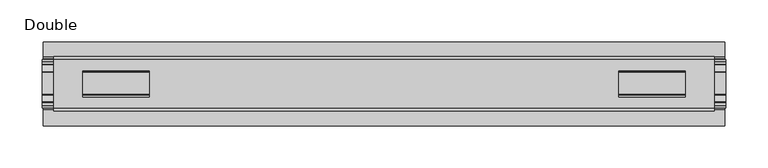
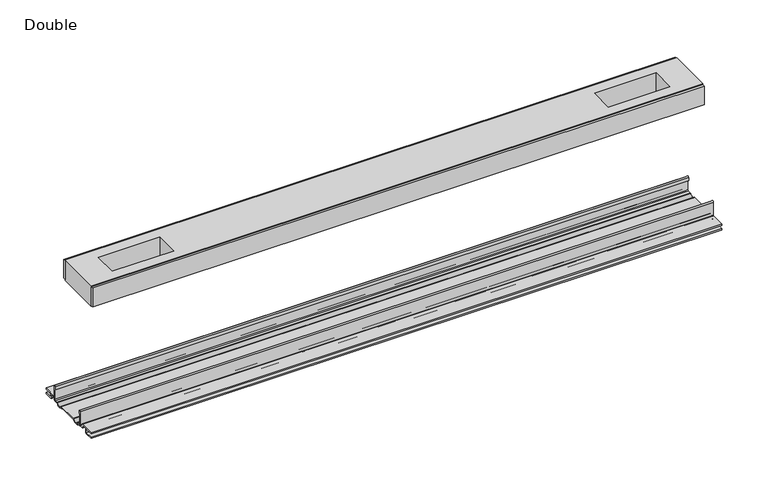
"""IFC4 building model written with IfcOpenShell, lengths in millimetres: proxy geometry, Double."""

from ifc_helpers import new_model, si_unit, point, frame, frame_2d, origin, place, context, project, spatial, polyline, circle_curve, trimmed, segment, composite_curve, outline, extrude, source, transform, mapped, element, save


def double_2a00bdfe(model_context):
    return source(origin(), model_context, "Body", "SweptSolid", [
        extrude(outline(polyline([(393.0660555, -29.0068005), (393.0660555, -32.1817997), (-393.0660555, -32.1817997), (-393.0660555, -29.0068005), (393.0660555, -29.0068005)])), frame((0.0, 0.0, 149.8401622), z_axis=(0.0, 0.0, 1.0), x_axis=(1.0, 0.0, 0.0)), (0.0, 0.0, 1.0), 25.3999939),
        extrude(outline(polyline([(393.0660555, 32.1817997), (393.0660555, 29.0068005), (-393.0660555, 29.0068005), (-393.0660555, 32.1817997), (393.0660555, 32.1817997)])), frame((0.0, 0.0, 149.8401622), z_axis=(0.0, 0.0, 1.0), x_axis=(1.0, 0.0, 0.0)), (0.0, 0.0, 1.0), 25.3999939),
        extrude(outline(polyline([(393.0660555, 29.0068005), (393.0660555, -29.0068005), (-393.0660555, -29.0068005), (-393.0660555, 29.0068005), (393.0660555, 29.0068005)]), holes=[polyline([(358.6490429, 15.1130038), (279.6042311, 15.1130038), (279.6042311, -15.875003), (358.6490429, -15.875003), (358.6490429, 15.1130038)]), polyline([(-358.6490429, 15.1130038), (-358.6490429, -15.875003), (-279.6042311, -15.875003), (-279.6042311, 15.1130038), (-358.6490429, 15.1130038)])]), frame((0.0, 0.0, 148.4185847), z_axis=(0.0, 0.0, 1.0), x_axis=(1.0, 0.0, 0.0)), (0.0, 0.0, 1.0), 27.9999988),
        extrude(outline(composite_curve([segment(polyline([(-28.8162961, -7.7516037), (-28.8162961, 9.8607558)]), True, "CONTINUOUS"), segment(trimmed(circle_curve(frame_2d((-27.5970982, 9.8607558)), 1.2191979), [point((-28.8162961, 9.8607558))], [point((-26.3779003, 9.8607558))], False, "CARTESIAN"), True, "CONTINUOUS"), segment(polyline([(-26.3779003, 9.8607558), (-26.3779003, 5.9999563), (-27.6580769, 5.9999563), (-27.6580769, -7.7516037)]), True, "CONTINUOUS"), segment(trimmed(circle_curve(frame_2d((-26.6420561, -7.7516037)), 1.0160208), [point((-27.6580769, -7.7516037))], [point((-26.6485732, -8.7676036))], True, "CARTESIAN"), True, "CONTINUOUS"), segment(polyline([(-26.6485732, -8.7676036), (-22.7056226, -8.7676036), (-21.7922609, -8.968753)]), True, "CONTINUOUS"), segment(trimmed(circle_curve(frame_2d((-17.7673021, -6.1259382)), 4.9276657), [point((-21.7922609, -8.968753))], [point((-13.7423434, -8.968753))], True, "CARTESIAN"), True, "CONTINUOUS"), segment(polyline([(-13.7423434, -8.968753), (-12.8289726, -8.7676036), (13.2099722, -8.7676036), (14.123343, -8.968753)]), True, "CONTINUOUS"), segment(trimmed(circle_curve(frame_2d((18.1483018, -6.1259382)), 4.9276657), [point((14.123343, -8.968753))], [point((22.1732605, -8.968753))], True, "CARTESIAN"), True, "CONTINUOUS"), segment(polyline([(22.1732605, -8.968753), (23.0866222, -8.7676036), (27.0295728, -8.7676036)]), True, "CONTINUOUS"), segment(trimmed(circle_curve(frame_2d((27.0230557, -7.7516037)), 1.0160208), [point((27.0295728, -8.7676036))], [point((28.0390765, -7.7516037))], True, "CARTESIAN"), True, "CONTINUOUS"), segment(polyline([(28.0390765, -7.7516037), (28.0390765, 5.9999563), (26.7588999, 5.9999563), (26.7588999, 9.8607558)]), True, "CONTINUOUS"), segment(trimmed(circle_curve(frame_2d((27.9780978, 9.8607558)), 1.2191979), [point((26.7588999, 9.8607558))], [point((29.1972958, 9.8607558))], False, "CARTESIAN"), True, "CONTINUOUS"), segment(polyline([(29.1972958, 9.8607558), (29.1972958, -7.7516037)]), True, "CONTINUOUS"), segment(trimmed(circle_curve(frame_2d((27.0230557, -7.7516037)), 2.17424), [point((29.1972958, -7.7516037))], [point((27.0230557, -9.9258438))], False, "CARTESIAN"), True, "CONTINUOUS"), segment(polyline([(27.0230557, -9.9258438), (22.732069, -9.9258438)]), True, "CONTINUOUS"), segment(trimmed(circle_curve(frame_2d((18.1516545, -6.4800016)), 5.7318431), [point((22.732069, -9.9258438))], [point((13.57124, -9.9258438))], False, "CARTESIAN"), True, "CONTINUOUS"), segment(polyline([(13.57124, -9.9258438), (-13.1902404, -9.9258438)]), True, "CONTINUOUS"), segment(trimmed(circle_curve(frame_2d((-17.7706549, -6.4800016)), 5.7318431), [point((-13.1902404, -9.9258438))], [point((-22.3510694, -9.9258438))], False, "CARTESIAN"), True, "CONTINUOUS"), segment(polyline([(-22.3510694, -9.9258438), (-26.6420561, -9.9258438)]), True, "CONTINUOUS"), segment(trimmed(circle_curve(frame_2d((-26.6420561, -7.7516037)), 2.17424), [point((-26.6420561, -9.9258438))], [point((-28.8162961, -7.7516037))], False, "CARTESIAN"), True, "CONTINUOUS")], self_intersect=False)), frame((-407.1249464, 0.0, 0.0), z_axis=(1.0, 0.0, 0.0), x_axis=(0.0, 1.0, 0.0)), (0.0, 0.0, 1.0), 814.2498928),
        extrude(outline(composite_curve([segment(polyline([(-50.2668422, -13.9898438), (-50.2240211, -12.3388438), (-39.7827507, -12.3388438), (-39.7827507, -7.766844), (-50.2240211, -7.766844), (-50.2668422, -6.1158439), (-31.1784975, -6.1158439)]), True, "CONTINUOUS"), segment(trimmed(circle_curve(frame_2d((-31.1784975, -7.6398436)), 1.5239997), [point((-31.1784975, -6.1158439))], [point((-29.6544978, -7.6398436))], False, "CARTESIAN"), True, "CONTINUOUS"), segment(polyline([(-29.6544978, -7.6398436), (-29.6544978, -9.9258438), (-23.1058344, -9.9258438)]), True, "CONTINUOUS"), segment(trimmed(circle_curve(frame_2d((-17.7673021, -5.2268471)), 7.1119966), [point((-23.1058344, -9.9258438))], [point((-12.4287699, -9.9258438))], True, "CARTESIAN"), True, "CONTINUOUS"), segment(polyline([(-12.4287699, -9.9258438), (12.8097695, -9.9258438)]), True, "CONTINUOUS"), segment(trimmed(circle_curve(frame_2d((18.1483018, -5.2268471)), 7.1119966), [point((12.8097695, -9.9258438))], [point((23.486834, -9.9258438))], True, "CARTESIAN"), True, "CONTINUOUS"), segment(polyline([(23.486834, -9.9258438), (30.0354975, -9.9258438), (30.0354975, -7.7656583)]), True, "CONTINUOUS"), segment(trimmed(circle_curve(frame_2d((31.6864982, -7.7656583)), 1.6510007), [point((30.0354975, -7.7656583))], [point((31.6239218, -6.1158439))], False, "CARTESIAN"), True, "CONTINUOUS"), segment(polyline([(31.6239218, -6.1158439), (50.00625, -6.1158439), (50.00625, -7.766844), (40.1637503, -7.766844), (40.1637503, -12.3388438), (50.00625, -12.3388438), (50.00625, -13.9898438), (40.0367518, -13.9898438)]), True, "CONTINUOUS"), segment(trimmed(circle_curve(frame_2d((40.0367518, -12.4658438)), 1.524), [point((40.0367518, -13.9898438))], [point((38.5127519, -12.4658438))], False, "CARTESIAN"), True, "CONTINUOUS"), segment(polyline([(38.5127519, -12.4658438), (38.5127519, -7.766844), (31.686497, -7.766844), (31.686497, -10.0528438)]), True, "CONTINUOUS"), segment(trimmed(circle_curve(frame_2d((30.1624971, -10.0528438)), 1.524), [point((31.686497, -10.0528438))], [point((30.1624971, -11.5768438))], False, "CARTESIAN"), True, "CONTINUOUS"), segment(polyline([(30.1624971, -11.5768438), (23.6563549, -11.5768438)]), True, "CONTINUOUS"), segment(trimmed(circle_curve(frame_2d((18.1483018, -6.4968436)), 7.4930002), [point((23.6563549, -11.5768438))], [point((12.8904968, -11.8354331))], False, "CARTESIAN"), True, "CONTINUOUS"), segment(polyline([(12.8904968, -11.8354331), (-12.5094972, -11.8354331)]), True, "CONTINUOUS"), segment(trimmed(circle_curve(frame_2d((-17.7673021, -6.4968436)), 7.4930002), [point((-12.5094972, -11.8354331))], [point((-23.2753553, -11.5768438))], False, "CARTESIAN"), True, "CONTINUOUS"), segment(polyline([(-23.2753553, -11.5768438), (-29.7814974, -11.5768438)]), True, "CONTINUOUS"), segment(trimmed(circle_curve(frame_2d((-29.7814974, -10.0528438)), 1.524), [point((-29.7814974, -11.5768438))], [point((-31.3054974, -10.0528438))], False, "CARTESIAN"), True, "CONTINUOUS"), segment(polyline([(-31.3054974, -10.0528438), (-31.3054974, -7.766844), (-38.1317522, -7.766844), (-38.1317522, -12.4658438)]), True, "CONTINUOUS"), segment(trimmed(circle_curve(frame_2d((-39.6557522, -12.4658438)), 1.524), [point((-38.1317522, -12.4658438))], [point((-39.6557522, -13.9898438))], False, "CARTESIAN"), True, "CONTINUOUS"), segment(polyline([(-39.6557522, -13.9898438), (-50.2668422, -13.9898438)]), True, "CONTINUOUS")], self_intersect=False)), frame((-405.4739464, 0.0, 0.0), z_axis=(1.0, 0.0, 0.0), x_axis=(0.0, 1.0, 0.0)), (0.0, 0.0, 1.0), 810.9478928),
    ])


if __name__ == "__main__":
    model = new_model("IFC4")
    model_context = context("Model", 3, world=origin())
    ifc_project = project(units=[si_unit("LENGTHUNIT", "METRE", prefix="MILLI")], contexts=[model_context])
    site = spatial("IfcSite", under=ifc_project)
    building = spatial("IfcBuilding", under=site)
    placement = place(None, origin())
    double_shape = double_2a00bdfe(model_context)
    element("IfcBuildingElementProxy", 1, Name="Double", ObjectType="Double", at=placement, inside=building, context=model_context, shape_type="MappedRepresentation", body=[
        mapped(double_shape, transform((0.0, 0.0, 0.0), x_axis=(1.0, 0.0, 0.0), y_axis=(0.0, 1.0, 0.0), z_axis=(0.0, 0.0, 1.0))),
    ])
    save(model, "model.ifc")
